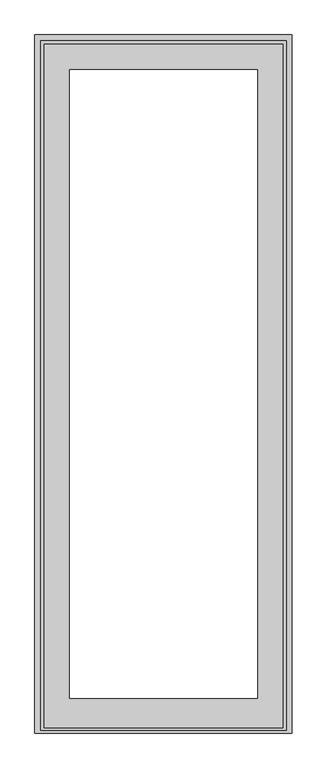
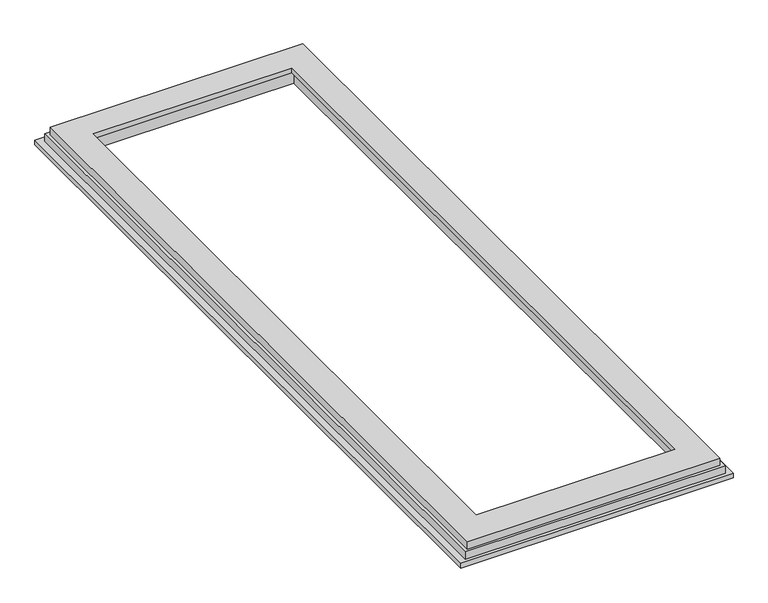
"""IFC4 building model written with IfcOpenShell, lengths in millimetres: proxy geometry."""

from ifc_helpers import new_model, si_unit, origin, place, context, project, spatial, faceted_brep, source, transform, mapped, element, save


def generic_models_bde2e698(model_context):
    return source(origin(), model_context, "Body", "Brep", [
        faceted_brep([(-1.5, 2405.0, -68.0), (884.5, 2405.0, -68.0), (884.5, 2405.0, -84.5), (-1.5, 2405.0, -84.5), (884.5, 3.0, -84.5), (-1.5, 3.0, -84.5), (100.5, 105.0, -84.5), (782.5, 105.0, -84.5), (782.5, 2303.0, -84.5), (100.5, 2303.0, -84.5), (782.5, 105.0, -32.5), (782.5, 2303.0, -32.5), (100.5, 105.0, -32.5), (100.5, 2303.0, -32.5), (118.5, 123.0, -32.5), (764.5, 123.0, -32.5), (764.5, 2285.0, -32.5), (118.5, 2285.0, -32.5), (764.5, 123.0, -16.5), (764.5, 2285.0, -16.5), (852.5, 2373.0, -16.5), (30.5, 2373.0, -16.5), (30.5, 22.0, -16.5), (852.5, 22.0, -16.5), (118.5, 123.0, -16.5), (118.5, 2285.0, -16.5), (884.5, 3.0, -68.0), (-1.5, 3.0, -68.0), (864.5, 13.0, -68.0), (18.5, 13.0, -68.0), (18.5, 2385.0, -68.0), (864.5, 2385.0, -68.0), (864.5, 2385.0, -42.0), (864.5, 13.0, -42.0), (852.5, 22.0, -42.0), (852.5, 2373.0, -42.0), (18.5, 2385.0, -42.0), (18.5, 13.0, -42.0), (30.5, 22.0, -42.0), (30.5, 2373.0, -42.0)], [[[0, 1, 2, 3]], [[4, 5, 3, 2], [6, 7, 8, 9]], [[7, 10, 11, 8]], [[10, 12, 13, 11], [14, 15, 16, 17]], [[15, 18, 19, 16]], [[20, 21, 22, 23], [18, 24, 25, 19]], [[2, 1, 26, 4]], [[4, 26, 27, 5]], [[1, 0, 27, 26], [28, 29, 30, 31]], [[28, 31, 32, 33]], [[23, 34, 35, 20]], [[33, 32, 36, 37], [35, 34, 38, 39]], [[7, 6, 12, 10]], [[15, 14, 24, 18]], [[12, 6, 9, 13]], [[24, 14, 17, 25]], [[5, 27, 0, 3]], [[30, 29, 37, 36]], [[39, 38, 22, 21]], [[9, 8, 11, 13]], [[19, 25, 17, 16]], [[31, 30, 36, 32]], [[20, 35, 39, 21]], [[29, 28, 33, 37]], [[38, 34, 23, 22]]]),
    ])


if __name__ == "__main__":
    model = new_model("IFC4")
    model_context = context("Model", 3, world=origin())
    ifc_project = project(units=[si_unit("LENGTHUNIT", "METRE", prefix="MILLI")], contexts=[model_context])
    site = spatial("IfcSite", under=ifc_project)
    building = spatial("IfcBuilding", under=site)
    placement = place(None, origin())
    generic_models_shape = generic_models_bde2e698(model_context)
    element("IfcBuildingElementProxy", 1, Name="Generic Models", at=placement, inside=building, context=model_context, shape_type="MappedRepresentation", body=[
        mapped(generic_models_shape, transform((0.0, 0.0, 0.0), x_axis=(1.0, 0.0, 0.0), y_axis=(0.0, 1.0, 0.0), z_axis=(0.0, 0.0, 1.0))),
    ])
    save(model, "model.ifc")
